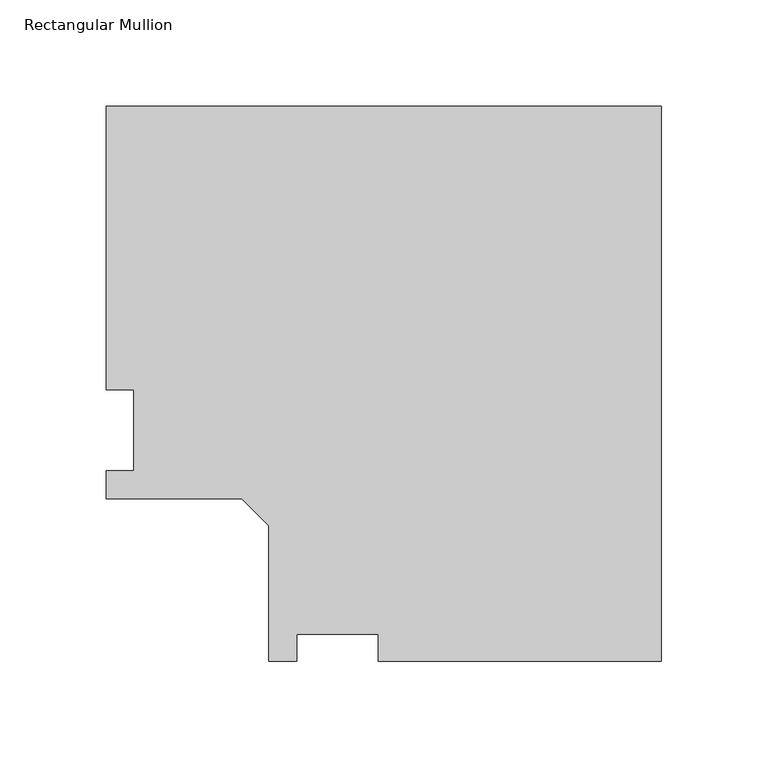
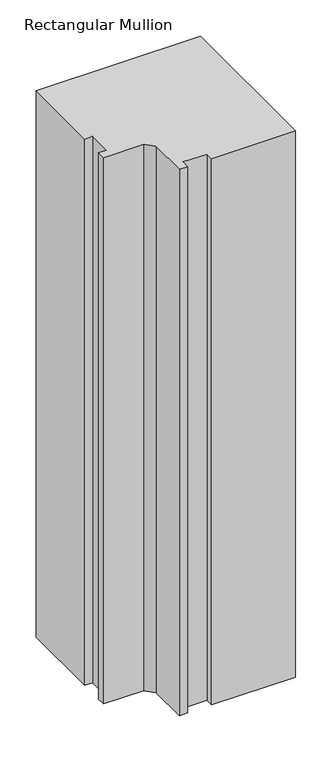
"""IFC4 building model written with IfcOpenShell, lengths in millimetres: member geometry, Rectangular Mullion."""

from ifc_helpers import new_model, si_unit, frame, origin, place, context, project, spatial, polyline, outline, extrude, source, transform, mapped, element, save


def rectangular_mullion_eaae19d8(model_context):
    return source(origin(), model_context, "Body", "SweptSolid", [
        extrude(outline(polyline([(0.0, -76.1865063), (-132.9436, -76.1865063), (-132.9436, -63.4865063), (-171.0436, -63.4865063), (-171.0436, -76.1865063), (-184.2262, -76.1865063), (-184.2262, -12.6865063), (-196.9262, 0.0134937), (-260.4262, 0.0134937), (-260.4262, 13.1960937), (-247.7262, 13.1960937), (-247.7262, 51.2960937), (-260.4262, 51.2960937), (-260.4262, 184.2396937), (0.0, 184.2396937), (0.0, -76.1865063)])), frame((0.0, 0.0, -914.4), z_axis=(0.0, 0.0, 1.0), x_axis=(1.0, 0.0, 0.0)), (0.0, 0.0, 1.0), 914.4),
    ])


if __name__ == "__main__":
    model = new_model("IFC4")
    model_context = context("Model", 3, world=origin())
    ifc_project = project(units=[si_unit("LENGTHUNIT", "METRE", prefix="MILLI")], contexts=[model_context])
    site = spatial("IfcSite", under=ifc_project)
    building = spatial("IfcBuilding", under=site)
    placement = place(None, origin())
    rectangular_mullion_shape = rectangular_mullion_eaae19d8(model_context)
    element("IfcMember", 1, ObjectType="Rectangular Mullion", at=placement, inside=building, context=model_context, shape_type="MappedRepresentation", body=[
        mapped(rectangular_mullion_shape, transform((0.0, 0.0, 0.0), x_axis=(1.0, 0.0, 0.0), y_axis=(0.0, 1.0, 0.0), z_axis=(0.0, 0.0, 1.0))),
    ])
    save(model, "model.ifc")
